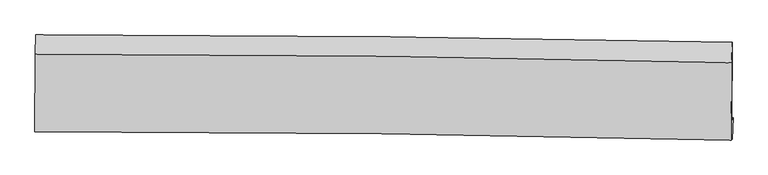
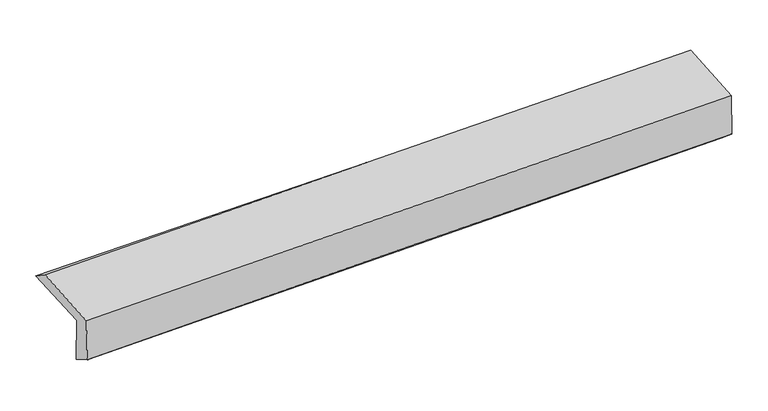
"""IFC4 building model written with IfcOpenShell, lengths in millimetres: proxy geometry."""

from ifc_helpers import new_model, si_unit, frame, origin, place, context, project, spatial, source, transform, mapped, element, save
from ifc_brep_helpers import plane_surface, spline_curve, spline_surface, advanced_brep


def generic_models_128e9a24(model_context):
    return source(origin(), model_context, "Body", "AdvancedBrep", [
        advanced_brep(
        [(-2980.0889635, -1768.148791, 1966.9581604), (-2978.1200514, -1102.8501201, 2001.7178503), (2964.3015406, -1164.3454654, 2118.1517015), (2957.9410695, -1830.8069676, 2106.096297), (-2968.1967063, -1742.1797704, 1565.0695127), (2969.9744808, -1809.5557375, 1698.6672331), (-2972.1186196, -1923.4751508, 1671.1363605), (2963.7740103, -1992.1400805, 1849.0349022), (-2983.6094073, -1930.4401637, 2062.2356803), (2952.4998531, -1999.0191414, 2235.2797798), (-2982.025777, -1267.1406356, 2109.8382068), (2957.7570804, -1340.3549276, 2282.6589975)],
        [
            (0, 1),
            (1, 2, spline_curve(3, [(-2978.1200514, -1102.8501201, 2001.7178503), (-1986.287334291, -1101.635781438, 1990.277955749), (-994.874330936, -1106.15969558, 1994.275805313), (985.931867039, -1126.671805651, 2033.123843359), (1975.326060943, -1142.64634005, 2067.937277201), (2964.3015406, -1164.3454654, 2118.1517015)], [4, 2, 4], [0.0, 9.754217779498324, 19.496817213847287])),
            (2, 3),
            (3, 0, spline_curve(3, [(2957.9410695, -1830.8069676, 2106.096297), (1969.543975496, -1815.978252575, 2059.578524091), (980.804673816, -1803.344183595, 2024.724747786), (-998.537853897, -1782.452887075, 1978.317533099), (-1989.141896526, -1774.200897515, 1966.791930646), (-2980.0889635, -1768.148791, 1966.9581604)], [4, 2, 4], [0.0, 9.742599434348962, 19.496817213847287])),
            (4, 0),
            (3, 5),
            (5, 4, spline_curve(3, [(2969.9744808, -1809.5557375, 1698.6672331), (1981.306225267, -1796.032265261, 1661.203846059), (992.419513335, -1783.65852533, 1631.341111388), (-986.970361031, -1761.197126101, 1586.790399004), (-1977.474044787, -1751.112210142, 1572.120560283), (-2968.1967063, -1742.1797704, 1565.0695127)], [4, 2, 4], [0.0, 9.738798766210106, 19.48921134515761])),
            (6, 4),
            (5, 7),
            (7, 6, spline_curve(3, [(2963.7740103, -1992.1400805, 1849.0349022), (1975.224153799, -1968.913840632, 1816.42964107), (986.58633015, -1951.578540391, 1785.31008051), (-992.044336826, -1928.676171662, 1726.007020813), (-1982.037389711, -1923.123161988, 1697.827067527), (-2972.1186196, -1923.4751508, 1671.1363605)], [4, 2, 4], [0.0, 9.737572980800682, 19.486758312552503])),
            (8, 6),
            (7, 9),
            (9, 8, spline_curve(3, [(2952.4998531, -1999.0191414, 2235.2797798), (1964.059799208, -1975.717176703, 2198.42996808), (975.458878715, -1958.351145685, 2165.59092217), (-1003.243823918, -1935.477320578, 2107.899984233), (-1993.345990468, -1929.983692294, 2083.057663389), (-2983.6094073, -1930.4401637, 2062.2356803)], [4, 2, 4], [0.0, 9.736843540245312, 19.48529856156179])),
            (10, 8),
            (9, 11),
            (11, 10, spline_curve(3, [(2957.7570804, -1340.3549276, 2282.6589975), (1968.603594678, -1314.63855902, 2245.961081388), (979.339977531, -1295.678790684, 2213.216615721), (-1000.587378917, -1271.257902468, 2155.60025032), (-1991.251380634, -1265.812906579, 2130.737785987), (-2982.025777, -1267.1406356, 2109.8382068)], [4, 2, 4], [0.0, 9.74001997657169, 19.49165522221115])),
            (1, 10),
            (11, 2),
        ],
        [
            spline_surface(3, 3, [[(-2980.0889635, -1768.148791, 1966.9581604), (-1989.141896607, -1774.200897481, 1966.791930595), (-998.537853875, -1782.452887161, 1978.317533044), (980.804673794, -1803.34418351, 2024.72474784), (1969.54397538, -1815.978252701, 2059.578524252), (2957.9410695, -1830.8069676, 2106.096297)], [(-2979.432659468, -1546.382567371, 1978.544723675), (-1988.190375882, -1550.012525489, 1974.620605608), (-997.316679585, -1557.0218233, 1983.63695714), (982.513738217, -1577.786724223, 2027.524446319), (1971.471337234, -1591.534281806, 2062.364775276), (2960.061226516, -1608.653133541, 2110.114765158)], [(-2978.776355432, -1324.616343729, 1990.131287025), (-1987.238855153, -1325.824153483, 1982.449280694), (-996.095505273, -1331.590759441, 1988.956381266), (984.222802663, -1352.229264938, 2030.324144831), (1973.39869914, -1367.090310889, 2065.151026328), (2962.181383584, -1386.499299459, 2114.133233342)], [(-2978.1200514, -1102.8501201, 2001.7178503), (-1986.287334428, -1101.63578149, 1990.277955707), (-994.874330983, -1106.15969558, 1994.275805362), (985.931867087, -1126.671805652, 2033.123843311), (1975.326060993, -1142.646339994, 2067.937277352), (2964.3015406, -1164.3454654, 2118.1517015)]], [4, 4], [4, 2, 4], [0.0, 2.2198376785628353], [0.0, 9.754217779498324, 19.496817213847287]),
            spline_surface(3, 3, [[(-2968.1967063, -1742.1797704, 1565.0695127), (-1977.474044805, -1751.112210043, 1572.1205602), (-986.970361036, -1761.19712595, 1586.79039905), (992.41951334, -1783.658525481, 1631.341111343), (1981.306225234, -1796.032265247, 1661.20384596), (2969.9744808, -1809.5557375, 1698.6672331)], [(-2972.160792023, -1750.836110625, 1699.032395271), (-1981.363328729, -1758.808439214, 1703.67768367), (-990.82619197, -1768.282379693, 1717.299443703), (988.54790017, -1790.220411496, 1762.468990163), (1977.385475282, -1802.680927741, 1793.995405397), (2965.963343699, -1816.639480876, 1834.476921074)], [(-2976.124877777, -1759.492450775, 1832.995277829), (-1985.252612683, -1766.50466831, 1835.234807125), (-994.68202294, -1775.367633419, 1847.808488391), (984.676286964, -1796.782297495, 1893.596869019), (1973.464725333, -1809.329590207, 1926.786964814), (2961.952206601, -1823.723224224, 1970.286609026)], [(-2980.0889635, -1768.148791, 1966.9581604), (-1989.141896607, -1774.200897481, 1966.791930595), (-998.537853875, -1782.452887161, 1978.317533044), (980.804673794, -1803.34418351, 2024.72474784), (1969.54397538, -1815.978252701, 2059.578524252), (2957.9410695, -1830.8069676, 2106.096297)]], [4, 4], [4, 2, 4], [0.0, 1.2898909309178532], [0.0, 9.750412578947504, 19.48921134515761]),
            spline_surface(3, 3, [[(-2972.1186196, -1923.4751508, 1671.1363605), (-1982.037389687, -1923.123162077, 1697.827067601), (-992.044336689, -1928.67617176, 1726.007020925), (986.586330013, -1951.578540294, 1785.310080399), (1975.224153648, -1968.913840496, 1816.429641024), (2963.7740103, -1992.1400805, 1849.0349022)], [(-2970.811315167, -1863.043357333, 1635.780744561), (-1980.516274727, -1865.786178066, 1655.924898462), (-990.353011457, -1872.849823161, 1679.601480331), (988.530724469, -1895.605202027, 1733.987090745), (1977.251510862, -1911.286648752, 1764.687709355), (2965.840833818, -1931.278632839, 1798.912345852)], [(-2969.504010733, -1802.611563867, 1600.425128639), (-1978.995159765, -1808.449194055, 1614.02272934), (-988.661686267, -1817.023474549, 1633.195939643), (990.475118884, -1839.631863747, 1682.664100997), (1979.278868021, -1853.659456991, 1712.945777629), (2967.907657282, -1870.417185161, 1748.789789448)], [(-2968.1967063, -1742.1797704, 1565.0695127), (-1977.474044805, -1751.112210043, 1572.1205602), (-986.970361036, -1761.19712595, 1586.79039905), (992.41951334, -1783.658525481, 1631.341111343), (1981.306225234, -1796.032265247, 1661.20384596), (2969.9744808, -1809.5557375, 1698.6672331)]], [4, 4], [4, 2, 4], [0.0, 0.730969737211344], [0.0, 9.749185331751821, 19.486758312552503]),
            spline_surface(3, 3, [[(-2983.6094073, -1930.4401637, 2062.2356803), (-1993.345990391, -1929.983692238, 2083.057663418), (-1003.243824045, -1935.477320508, 2107.899984151), (975.458878842, -1958.351145755, 2165.590922251), (1964.05979931, -1975.717176697, 2198.429968066), (2952.4998531, -1999.0191414, 2235.2797798)], [(-2979.779144762, -1928.118492729, 1931.869240368), (-1989.576456852, -1927.696848847, 1954.647464814), (-999.510661598, -1933.210270931, 1980.602329715), (979.168029228, -1956.093610608, 2038.830641607), (1967.781250734, -1973.449397956, 2071.09652572), (2956.257905478, -1996.726121093, 2106.531487268)], [(-2975.948882138, -1925.796821771, 1801.502800432), (-1985.806923226, -1925.410005468, 1826.237266206), (-995.777499136, -1930.943221336, 1853.304675361), (982.877179627, -1953.836075441, 1912.070361044), (1971.502702224, -1971.181619237, 1943.763083371), (2960.015957922, -1994.433100807, 1977.783194732)], [(-2972.1186196, -1923.4751508, 1671.1363605), (-1982.037389687, -1923.123162077, 1697.827067601), (-992.044336689, -1928.67617176, 1726.007020925), (986.586330013, -1951.578540294, 1785.310080399), (1975.224153648, -1968.913840496, 1816.429641024), (2963.7740103, -1992.1400805, 1849.0349022)]], [4, 4], [4, 2, 4], [0.0, 1.2510227883168605], [0.0, 9.74845502131648, 19.48529856156179]),
            spline_surface(3, 3, [[(-2982.025777, -1267.1406356, 2109.8382068), (-1991.251380653, -1265.812906534, 2130.737786084), (-1000.587378841, -1271.257902321, 2155.600250477), (979.339977455, -1295.678790831, 2213.216615565), (1968.603594796, -1314.638559044, 2245.961081378), (2957.7570804, -1340.3549276, 2282.6589975)], [(-2982.553653759, -1488.240478297, 2093.970697985), (-1991.949583892, -1487.203168432, 2114.84441188), (-1001.472860585, -1492.664375055, 2139.7001617), (978.046277908, -1516.569575811, 2197.341384458), (1967.088996312, -1534.998098269, 2230.117376921), (2956.004671311, -1559.909665541, 2266.865924914)], [(-2983.081530541, -1709.340321003, 2078.103189115), (-1992.647787153, -1708.59343034, 2098.951037622), (-1002.358342301, -1714.070847774, 2123.800072928), (976.752578389, -1737.460360775, 2181.466153358), (1965.574397794, -1755.357637472, 2214.273672523), (2954.252262189, -1779.464403459, 2251.072852386)], [(-2983.6094073, -1930.4401637, 2062.2356803), (-1993.345990391, -1929.983692238, 2083.057663418), (-1003.243824045, -1935.477320508, 2107.899984151), (975.458878842, -1958.351145755, 2165.590922251), (1964.05979931, -1975.717176697, 2198.429968066), (2952.4998531, -1999.0191414, 2235.2797798)]], [4, 4], [4, 2, 4], [0.0, 2.182298964349634], [0.0, 9.751635245639461, 19.49165522221115]),
            spline_surface(3, 3, [[(-2978.1200514, -1102.8501201, 2001.7178503), (-1986.287334428, -1101.63578149, 1990.277955707), (-994.874330983, -1106.15969558, 1994.275805362), (985.931867087, -1126.671805652, 2033.123843311), (1975.326060993, -1142.646339994, 2067.937277352), (2964.3015406, -1164.3454654, 2118.1517015)], [(-2979.42195992, -1157.613625244, 2037.75796914), (-1987.94201649, -1156.361489816, 2037.097899172), (-996.778680273, -1161.19243114, 2048.05062042), (983.734570539, -1183.007467357, 2093.154767416), (1973.085238939, -1199.977079655, 2127.278545362), (2962.120053878, -1223.015286111, 2172.987466835)], [(-2980.72386848, -1212.377130456, 2073.79808796), (-1989.596698591, -1211.087198209, 2083.917842619), (-998.683029551, -1216.225166762, 2101.825435418), (981.537274003, -1239.343129126, 2153.18569146), (1970.84441685, -1257.307819384, 2186.619813368), (2959.938567122, -1281.685106889, 2227.823232165)], [(-2982.025777, -1267.1406356, 2109.8382068), (-1991.251380653, -1265.812906534, 2130.737786084), (-1000.587378841, -1271.257902321, 2155.600250477), (979.339977455, -1295.678790831, 2213.216615565), (1968.603594796, -1314.638559044, 2245.961081378), (2957.7570804, -1340.3549276, 2282.6589975)]], [4, 4], [4, 2, 4], [0.0, 0.7838478213083995], [0.0, 9.755997812685536, 19.500375160006598]),
            plane_surface(frame((2961.0413391, -1689.3703867, 2048.3148185), z_axis=(0.9995288619449962, -0.010063649231823636, 0.028996156694977213), x_axis=(0.029172094327508172, 0.017799699941071286, -0.9994159092162557))),
            plane_surface(frame((-2977.3599209, -1622.3724386, 1896.1592952), z_axis=(-0.9995609402230125, 0.004488339409768431, -0.029287908594331946), x_axis=(-0.0029553970151690086, -0.9986335655136254, -0.05217535297462253))),
        ],
        [
            (0, [[1, 2, 3, 4]]),
            (1, [[5, -4, 6, 7]]),
            (2, [[8, -7, 9, 10]]),
            (3, [[11, -10, 12, 13]]),
            (4, [[14, -13, 15, 16]]),
            (5, [[17, -16, 18, -2]]),
            (6, [[-12, -9, -6, -3, -18, -15]]),
            (7, [[-1, -5, -8, -11, -14, -17]]),
        ],
    ),
    ])


if __name__ == "__main__":
    model = new_model("IFC4")
    model_context = context("Model", 3, world=origin())
    ifc_project = project(units=[si_unit("LENGTHUNIT", "METRE", prefix="MILLI")], contexts=[model_context])
    site = spatial("IfcSite", under=ifc_project)
    building = spatial("IfcBuilding", under=site)
    placement = place(None, origin())
    generic_models_shape = generic_models_128e9a24(model_context)
    element("IfcBuildingElementProxy", 1, Name="Generic Models", at=placement, inside=building, context=model_context, shape_type="MappedRepresentation", body=[
        mapped(generic_models_shape, transform((0.0, 0.0, 0.0), x_axis=(1.0, 0.0, 0.0), y_axis=(0.0, 1.0, 0.0), z_axis=(0.0, 0.0, 1.0))),
    ])
    save(model, "model.ifc")
